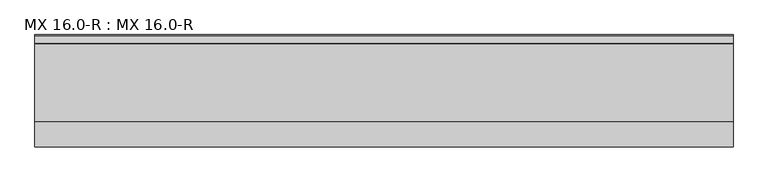
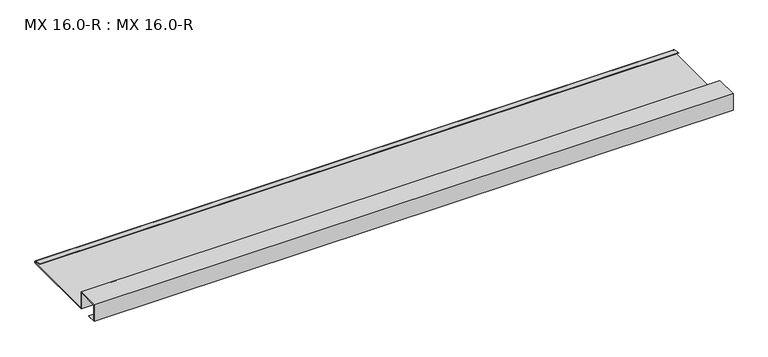
"""IFC4 building model written with IfcOpenShell, lengths in millimetres: proxy geometry, MX 16.0-R : MX 16.0-R."""

from ifc_helpers import new_model, si_unit, point, frame, frame_2d, origin, place, context, project, spatial, polyline, circle_curve, trimmed, segment, composite_curve, outline, extrude, source, transform, mapped, element, save


def mx_16_0_r_mx_16_0_r_74fc5c1e(model_context):
    return source(origin(), model_context, "Body", "SweptSolid", [
        extrude(outline(composite_curve([segment(trimmed(circle_curve(frame_2d((221.9700946, 2.4215767)), 3.0361691), [point((223.163909, 5.2131944))], [point((222.7963586, -0.5))], False, "CARTESIAN"), True, "CONTINUOUS"), segment(polyline([(222.7963586, -0.5), (49.0, -0.5), (49.0, 37.5), (1.0, 37.5), (1.0, 1.5), (20.0, 1.5), (20.0, 0.5), (0.0, 0.5), (0.0, 38.5), (50.0, 38.5), (50.0, 0.5), (222.6835104, 0.5)]), True, "CONTINUOUS"), segment(trimmed(circle_curve(frame_2d((221.9419644, 2.4153551)), 2.0538928), [point((222.6835104, 0.5))], [point((222.807341, 4.278041))], True, "CARTESIAN"), True, "CONTINUOUS"), segment(polyline([(222.807341, 4.278041), (207.1307182, 7.2866995), (207.4140687, 8.2359048), (223.163909, 5.2131944)]), True, "CONTINUOUS")], self_intersect=False)), frame((0.0, 0.0, 0.0), z_axis=(1.0, 0.0, 0.0), x_axis=(0.0, 1.0, 0.0)), (0.0, 0.0, 1.0), 1400.0),
    ])


if __name__ == "__main__":
    model = new_model("IFC4")
    model_context = context("Model", 3, world=origin())
    ifc_project = project(units=[si_unit("LENGTHUNIT", "METRE", prefix="MILLI")], contexts=[model_context])
    site = spatial("IfcSite", under=ifc_project)
    building = spatial("IfcBuilding", under=site)
    placement = place(None, origin())
    mx_16_0_r_mx_16_0_r_shape = mx_16_0_r_mx_16_0_r_74fc5c1e(model_context)
    element("IfcBuildingElementProxy", 1, Name="MX 16.0-R : MX 16.0-R", ObjectType="MX 16.0-R : MX 16.0-R", at=placement, inside=building, context=model_context, shape_type="MappedRepresentation", body=[
        mapped(mx_16_0_r_mx_16_0_r_shape, transform((0.0, 0.0, 0.0), x_axis=(1.0, 0.0, 0.0), y_axis=(0.0, 1.0, 0.0), z_axis=(0.0, 0.0, 1.0))),
    ])
    save(model, "model.ifc")
